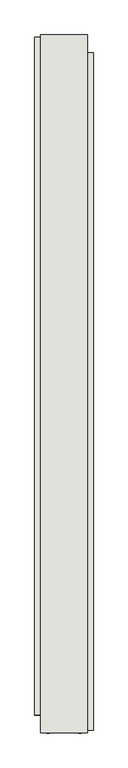
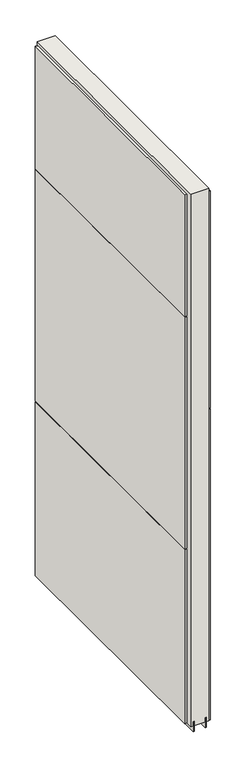
"""IFC4 building model written with IfcOpenShell, lengths in millimetres: wall geometry."""

import ifcopenshell
import ifcopenshell.guid

model = None  # the IFC model being written
_history = None  # IfcOwnerHistory: only IFC2X3 demands one
_inside = {}  # id of a spatial element -> (the spatial element, [elements in it])
_under = {}  # id of a project, library or spatial element -> (it, [spatial elements below it])
_declared = {}  # id of a project -> (the project, [libraries it declares])
_typed = {}  # id of a type object -> (the type object, [elements of that type])
_made_of = {}  # id of a material, layer set ... -> (it, [elements and type objects made of it])


def new_model(schema):
    """Start an empty IFC model of exactly this schema.

    Asked for "IFC4X3", IfcOpenShell would pick the latest addendum, in which some entities
    have other attributes; the version numbers below select the first issue.
    IFC2X3 requires an IfcOwnerHistory on every rooted entity: one is made here for all.
    """
    global model, _history
    if schema == "IFC4X3":
        model = ifcopenshell.file(schema_version=(4, 3, 0, 0))
    else:
        model = ifcopenshell.file(schema=schema)
    _inside.clear()
    _under.clear()
    _declared.clear()
    _typed.clear()
    _made_of.clear()
    _history = None
    if model.schema == "IFC2X3":
        org = make("IfcOrganization", Name="unknown")
        user = make(
            "IfcPersonAndOrganization",
            ThePerson=make("IfcPerson", FamilyName="unknown"),
            TheOrganization=org,
        )
        app = make(
            "IfcApplication",
            ApplicationDeveloper=org,
            Version="unknown",
            ApplicationFullName="unknown",
            ApplicationIdentifier="unknown",
        )
        _history = make(
            "IfcOwnerHistory",
            OwningUser=user,
            OwningApplication=app,
            ChangeAction="ADDED",
            CreationDate=0,
        )
    return model


def make(cls, **values):
    """One entity of the class cls with the attributes given. An attribute that is None is left unset."""
    return model.create_entity(
        cls, **{name: value for name, value in values.items() if value is not None}
    )


def rooted(cls, **values):
    """An entity with a GlobalId (a new one), such as an element, a storey or a relation."""
    return make(cls, GlobalId=ifcopenshell.guid.new(), OwnerHistory=_history, **values)


def si_unit(unit_type, name, prefix=None):
    """IfcSIUnit, for example si_unit("LENGTHUNIT", "METRE", prefix="MILLI")."""
    return make("IfcSIUnit", UnitType=unit_type, Prefix=prefix, Name=name)


def assignment(units):
    """IfcUnitAssignment: the units of a project."""
    return None if units is None else make("IfcUnitAssignment", Units=units)


def point(xyz):
    """IfcCartesianPoint."""
    return None if xyz is None else make("IfcCartesianPoint", Coordinates=xyz)


def direction(xyz):
    """IfcDirection."""
    return None if xyz is None else make("IfcDirection", DirectionRatios=xyz)


def frame(location, z_axis=None, x_axis=None):
    """IfcAxis2Placement3D, a coordinate frame: its origin and axes. An axis left out is left unset."""
    return make(
        "IfcAxis2Placement3D",
        Location=point(location),
        Axis=direction(z_axis),
        RefDirection=direction(x_axis),
    )


def origin():
    """The frame at (0, 0, 0) with its axes left unset."""
    return frame((0.0, 0.0, 0.0))


def place(relative_to, where):
    """IfcLocalPlacement: puts the frame where relative to a parent placement (None: the world)."""
    return make(
        "IfcLocalPlacement", PlacementRelTo=relative_to, RelativePlacement=where
    )


def context(
    kind, dimensions, precision=None, world=None, true_north=None, identifier=None
):
    """IfcGeometricRepresentationContext, for example the 3D "Model" context."""
    return make(
        "IfcGeometricRepresentationContext",
        ContextIdentifier=identifier,
        ContextType=kind,
        CoordinateSpaceDimension=dimensions,
        Precision=precision,
        WorldCoordinateSystem=world,
        TrueNorth=true_north,
    )


def project(units=None, contexts=None):
    """IfcProject with its units and contexts."""
    return rooted(
        "IfcProject",
        Name="project",
        RepresentationContexts=contexts,
        UnitsInContext=assignment(units),
    )


def spatial(cls, under=None, at=None, **own):
    """A site, building, storey or space (cls), placed at a placement, below another one or the project."""
    s = rooted(cls, ObjectPlacement=at, **own)
    if under is not None:
        _under.setdefault(under.id(), (under, []))[1].append(s)
    return s


def polyline(points):
    """IfcPolyline through the points."""
    return make("IfcPolyline", Points=[point(p) for p in points])


def outline(outer, holes=None, kind="AREA"):
    """IfcArbitraryClosedProfileDef: a profile drawn as a closed curve; with holes, ...WithVoids."""
    if holes is None:
        return make("IfcArbitraryClosedProfileDef", ProfileType=kind, OuterCurve=outer)
    return make(
        "IfcArbitraryProfileDefWithVoids",
        ProfileType=kind,
        OuterCurve=outer,
        InnerCurves=holes,
    )


def extrude(swept, where, along, depth):
    """IfcExtrudedAreaSolid: the profile swept, set in the frame where, extruded along a direction by depth."""
    return make(
        "IfcExtrudedAreaSolid",
        SweptArea=swept,
        Position=where,
        ExtrudedDirection=direction(along),
        Depth=depth,
    )


def shape(context_of_items, identifier, shape_type, items):
    """IfcShapeRepresentation: the items that make up one representation, for example the "Body"."""
    return make(
        "IfcShapeRepresentation",
        ContextOfItems=context_of_items,
        RepresentationIdentifier=identifier,
        RepresentationType=shape_type,
        Items=items,
    )


def source(mapping_origin, context_of_items, identifier, shape_type, items):
    """IfcRepresentationMap: a shape defined once, which mapped items show again and again."""
    return make(
        "IfcRepresentationMap",
        MappingOrigin=mapping_origin,
        MappedRepresentation=shape(context_of_items, identifier, shape_type, items),
    )


def transform(
    local_origin,
    x_axis=None,
    y_axis=None,
    z_axis=None,
    scale=None,
    scale2=None,
    scale3=None,
    uniform=True,
):
    """IfcCartesianTransformationOperator3D, or its non-uniform kind. x_axis, y_axis, z_axis: its Axis1, 2, 3."""
    if uniform:
        return make(
            "IfcCartesianTransformationOperator3D",
            Axis1=direction(x_axis),
            Axis2=direction(y_axis),
            LocalOrigin=point(local_origin),
            Scale=scale,
            Axis3=direction(z_axis),
        )
    return make(
        "IfcCartesianTransformationOperator3DnonUniform",
        Axis1=direction(x_axis),
        Axis2=direction(y_axis),
        LocalOrigin=point(local_origin),
        Scale=scale,
        Axis3=direction(z_axis),
        Scale2=scale2,
        Scale3=scale3,
    )


def mapped(mapping_source, mapping_target):
    """IfcMappedItem: shows the shape of a source again, moved by a transform."""
    return make(
        "IfcMappedItem", MappingSource=mapping_source, MappingTarget=mapping_target
    )


def made_of(thing, what):
    """Note that an element or type object is made of a material, layer set ...; save() writes the relation."""
    if what is not None:
        _made_of.setdefault(what.id(), (what, []))[1].append(thing)
    return thing


def element(
    cls,
    number,
    at=None,
    inside=None,
    cuts=None,
    type_object=None,
    material=None,
    context=None,
    identifier="Body",
    shape_type=None,
    held_by="IfcProductDefinitionShape",
    body=None,
    shapes=None,
    **own,
):
    """One element of the class cls, such as IfcWall. Its Tag is "e" and its number.

    at: its placement. inside: the storey or other place that contains it. cuts: it is an
    opening in that element (IfcRelVoidsElement). A single representation is given by context,
    identifier, shape_type and body (its items); several are given by shapes. held_by: the class
    of the entity that holds the representations. save() writes the other relations.
    """
    e = rooted(cls, Tag="e%d" % number, ObjectPlacement=at, **own)
    if body is not None:
        shapes = [shape(context, identifier, shape_type, body)]
    if shapes is not None:
        e.Representation = make(held_by, Representations=shapes)
    if inside is not None:
        _inside.setdefault(inside.id(), (inside, []))[1].append(e)
    if cuts is not None:
        rooted(
            "IfcRelVoidsElement", RelatingBuildingElement=cuts, RelatedOpeningElement=e
        )
    if type_object is not None:
        _typed.setdefault(type_object.id(), (type_object, []))[1].append(e)
    return made_of(e, material)


def aggregate(whole, parts):
    """IfcRelAggregates: a whole, such as a stair, and the parts it consists of."""
    return rooted("IfcRelAggregates", RelatingObject=whole, RelatedObjects=parts)


def save(model, path):
    """Write the relations noted so far, then the file.

    IfcRelAggregates (storeys below a building ...), IfcRelContainedInSpatialStructure (elements
    in a storey), IfcRelDefinesByType, IfcRelAssociatesMaterial and IfcRelDeclares: one each for
    every whole, place, type object, material and project.
    """
    for whole, parts in _under.values():
        aggregate(whole, parts)
    for where, things in _inside.values():
        rooted(
            "IfcRelContainedInSpatialStructure",
            RelatedElements=things,
            RelatingStructure=where,
        )
    for kind, things in _typed.values():
        rooted("IfcRelDefinesByType", RelatedObjects=things, RelatingType=kind)
    for what, things in _made_of.values():
        rooted("IfcRelAssociatesMaterial", RelatedObjects=things, RelatingMaterial=what)
    for by, libraries in _declared.values():
        rooted("IfcRelDeclares", RelatingContext=by, RelatedDefinitions=libraries)
    model.write(path)


def wall_67ccdf3e(model_context):
    return source(origin(), model_context, "Body", "SweptSolid", [
        extrude(outline(polyline([(51817.4988286, -39422.8947634), (51817.4988286, -39420.3547634), (51820.0388286, -39420.3547634), (51820.0388286, -39422.8947634), (51817.4988286, -39422.8947634)])), frame((0.0, 0.0, 4419.6), z_axis=(0.0, 0.0, 1.0), x_axis=(1.0, 0.0, 0.0)), (0.0, 0.0, 1.0), 2.54),
        extrude(outline(polyline([(51869.5688286, -39451.4871751), (51869.5688286, -40626.0869849), (51856.8688286, -40626.0869849), (51856.8688286, -39451.4871751), (51869.5688286, -39451.4871751)])), frame((0.0, 0.0, 5945.599869), z_axis=(0.0, 0.0, 1.0), x_axis=(1.0, 0.0, 0.0)), (0.0, 0.0, 1.0), 1044.449905),
        extrude(outline(polyline([(51869.5688286, -39451.4871751), (51869.5688286, -40626.0869849), (51856.8688286, -40626.0869849), (51856.8688286, -39451.4871751), (51869.5688286, -39451.4871751)])), frame((0.0, 0.0, 4445.0), z_axis=(0.0, 0.0, 1.0), x_axis=(1.0, 0.0, 0.0)), (0.0, 0.0, 1.0), 1496.600004),
        extrude(outline(polyline([(51767.9688286, -40599.4188391), (51767.9688286, -39424.8190293), (51780.6688286, -39424.8190293), (51780.6688286, -40599.4188391), (51767.9688286, -40599.4188391)])), frame((0.0, 0.0, 6402.8000722), z_axis=(0.0, 0.0, 1.0), x_axis=(1.0, 0.0, 0.0)), (0.0, 0.0, 1.0), 587.2498034),
        extrude(outline(polyline([(51767.9688286, -40599.4188391), (51767.9688286, -39424.8190293), (51780.6688286, -39424.8190293), (51780.6688286, -40599.4188391), (51767.9688286, -40599.4188391)])), frame((0.0, 0.0, 5285.2000722), z_axis=(0.0, 0.0, 1.0), x_axis=(1.0, 0.0, 0.0)), (0.0, 0.0, 1.0), 1113.5999572),
        extrude(outline(polyline([(51767.9688286, -40599.4188391), (51767.9688286, -39424.8190293), (51780.6688286, -39424.8190293), (51780.6688286, -40599.4188391), (51767.9688286, -40599.4188391)])), frame((0.0, 0.0, 4445.0), z_axis=(0.0, 0.0, 1.0), x_axis=(1.0, 0.0, 0.0)), (0.0, 0.0, 1.0), 836.200004),
        extrude(outline(polyline([(51843.8649684, -40630.5525208), (51843.8649684, -39420.3442224), (51848.9437238, -39420.3442224), (51848.9437238, -40630.5525208), (51843.8649684, -40630.5525208)])), frame((0.0, 0.0, 4418.6602), z_axis=(0.0, 0.0, 1.0), x_axis=(1.0, 0.0, 0.0)), (0.0, 0.0, 1.0), 47.625),
        extrude(outline(polyline([(51843.8649684, -40630.5525208), (51843.8649684, -39420.3442224), (51848.9437238, -39420.3442224), (51848.9437238, -40630.5525208), (51843.8649684, -40630.5525208)])), frame((0.0, 0.0, 4418.6602), z_axis=(0.0, 0.0, 1.0), x_axis=(1.0, 0.0, 0.0)), (0.0, 0.0, 1.0), 47.625),
        extrude(outline(polyline([(51793.6726888, -39420.3442224), (51793.6726888, -40630.5525208), (51788.6187238, -40630.5525208), (51788.6187238, -39420.3442224), (51793.6726888, -39420.3442224)])), frame((0.0, 0.0, 4418.6602), z_axis=(0.0, 0.0, 1.0), x_axis=(1.0, 0.0, 0.0)), (0.0, 0.0, 1.0), 47.625),
        extrude(outline(polyline([(51793.6726888, -39420.3442224), (51793.6726888, -40630.5525208), (51788.6187238, -40630.5525208), (51788.6187238, -39420.3442224), (51793.6726888, -39420.3442224)])), frame((0.0, 0.0, 4418.6602), z_axis=(0.0, 0.0, 1.0), x_axis=(1.0, 0.0, 0.0)), (0.0, 0.0, 1.0), 47.625),
        extrude(outline(polyline([(51859.4081936, -40630.5525208), (51778.1294382, -40630.5525208), (51778.1294382, -39420.3442224), (51859.4081936, -39420.3442224), (51859.4081936, -40630.5525208)])), frame((0.0, 0.0, 4445.0), z_axis=(0.0, 0.0, 1.0), x_axis=(1.0, 0.0, 0.0)), (0.0, 0.0, 1.0), 2562.4536762),
    ])


if __name__ == "__main__":
    model = new_model("IFC4")
    model_context = context("Model", 3, world=origin())
    ifc_project = project(units=[si_unit("LENGTHUNIT", "METRE", prefix="MILLI")], contexts=[model_context])
    site = spatial("IfcSite", under=ifc_project)
    building = spatial("IfcBuilding", under=site)
    placement = place(None, origin())
    wall_shape = wall_67ccdf3e(model_context)
    element("IfcWall", 1, at=placement, inside=building, context=model_context, shape_type="MappedRepresentation", body=[
        mapped(wall_shape, transform((0.0, 0.0, 0.0), x_axis=(1.0, 0.0, 0.0), y_axis=(0.0, 1.0, 0.0), z_axis=(0.0, 0.0, 1.0))),
    ])
    save(model, "model.ifc")
